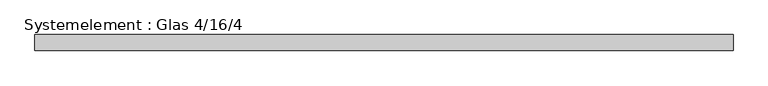
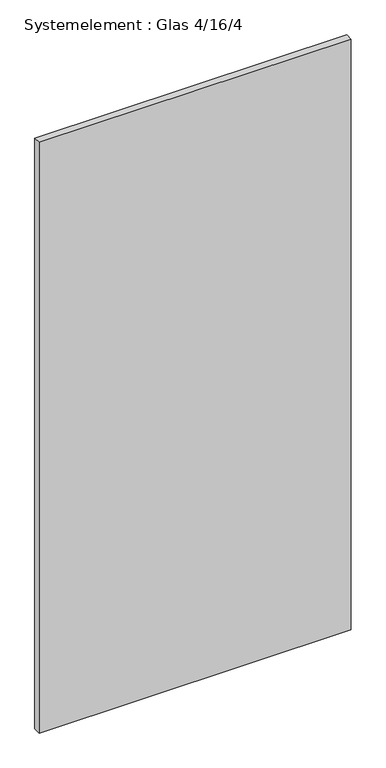
"""IFC4 building model written with IfcOpenShell, lengths in millimetres: plate geometry, Systemelement : Glas 4/16/4."""

import ifcopenshell
import ifcopenshell.guid

model = None  # the IFC model being written
_history = None  # IfcOwnerHistory: only IFC2X3 demands one
_inside = {}  # id of a spatial element -> (the spatial element, [elements in it])
_under = {}  # id of a project, library or spatial element -> (it, [spatial elements below it])
_declared = {}  # id of a project -> (the project, [libraries it declares])
_typed = {}  # id of a type object -> (the type object, [elements of that type])
_made_of = {}  # id of a material, layer set ... -> (it, [elements and type objects made of it])


def new_model(schema):
    """Start an empty IFC model of exactly this schema.

    Asked for "IFC4X3", IfcOpenShell would pick the latest addendum, in which some entities
    have other attributes; the version numbers below select the first issue.
    IFC2X3 requires an IfcOwnerHistory on every rooted entity: one is made here for all.
    """
    global model, _history
    if schema == "IFC4X3":
        model = ifcopenshell.file(schema_version=(4, 3, 0, 0))
    else:
        model = ifcopenshell.file(schema=schema)
    _inside.clear()
    _under.clear()
    _declared.clear()
    _typed.clear()
    _made_of.clear()
    _history = None
    if model.schema == "IFC2X3":
        org = make("IfcOrganization", Name="unknown")
        user = make(
            "IfcPersonAndOrganization",
            ThePerson=make("IfcPerson", FamilyName="unknown"),
            TheOrganization=org,
        )
        app = make(
            "IfcApplication",
            ApplicationDeveloper=org,
            Version="unknown",
            ApplicationFullName="unknown",
            ApplicationIdentifier="unknown",
        )
        _history = make(
            "IfcOwnerHistory",
            OwningUser=user,
            OwningApplication=app,
            ChangeAction="ADDED",
            CreationDate=0,
        )
    return model


def make(cls, **values):
    """One entity of the class cls with the attributes given. An attribute that is None is left unset."""
    return model.create_entity(
        cls, **{name: value for name, value in values.items() if value is not None}
    )


def rooted(cls, **values):
    """An entity with a GlobalId (a new one), such as an element, a storey or a relation."""
    return make(cls, GlobalId=ifcopenshell.guid.new(), OwnerHistory=_history, **values)


def si_unit(unit_type, name, prefix=None):
    """IfcSIUnit, for example si_unit("LENGTHUNIT", "METRE", prefix="MILLI")."""
    return make("IfcSIUnit", UnitType=unit_type, Prefix=prefix, Name=name)


def assignment(units):
    """IfcUnitAssignment: the units of a project."""
    return None if units is None else make("IfcUnitAssignment", Units=units)


def point(xyz):
    """IfcCartesianPoint."""
    return None if xyz is None else make("IfcCartesianPoint", Coordinates=xyz)


def direction(xyz):
    """IfcDirection."""
    return None if xyz is None else make("IfcDirection", DirectionRatios=xyz)


def frame(location, z_axis=None, x_axis=None):
    """IfcAxis2Placement3D, a coordinate frame: its origin and axes. An axis left out is left unset."""
    return make(
        "IfcAxis2Placement3D",
        Location=point(location),
        Axis=direction(z_axis),
        RefDirection=direction(x_axis),
    )


def origin():
    """The frame at (0, 0, 0) with its axes left unset."""
    return frame((0.0, 0.0, 0.0))


def origin_with_axes():
    """The frame at (0, 0, 0) with the z axis (0, 0, 1) and the x axis (1, 0, 0) written out."""
    return frame((0.0, 0.0, 0.0), z_axis=(0.0, 0.0, 1.0), x_axis=(1.0, 0.0, 0.0))


def place(relative_to, where):
    """IfcLocalPlacement: puts the frame where relative to a parent placement (None: the world)."""
    return make(
        "IfcLocalPlacement", PlacementRelTo=relative_to, RelativePlacement=where
    )


def context(
    kind, dimensions, precision=None, world=None, true_north=None, identifier=None
):
    """IfcGeometricRepresentationContext, for example the 3D "Model" context."""
    return make(
        "IfcGeometricRepresentationContext",
        ContextIdentifier=identifier,
        ContextType=kind,
        CoordinateSpaceDimension=dimensions,
        Precision=precision,
        WorldCoordinateSystem=world,
        TrueNorth=true_north,
    )


def project(units=None, contexts=None):
    """IfcProject with its units and contexts."""
    return rooted(
        "IfcProject",
        Name="project",
        RepresentationContexts=contexts,
        UnitsInContext=assignment(units),
    )


def spatial(cls, under=None, at=None, **own):
    """A site, building, storey or space (cls), placed at a placement, below another one or the project."""
    s = rooted(cls, ObjectPlacement=at, **own)
    if under is not None:
        _under.setdefault(under.id(), (under, []))[1].append(s)
    return s


def polyline(points):
    """IfcPolyline through the points."""
    return make("IfcPolyline", Points=[point(p) for p in points])


def outline(outer, holes=None, kind="AREA"):
    """IfcArbitraryClosedProfileDef: a profile drawn as a closed curve; with holes, ...WithVoids."""
    if holes is None:
        return make("IfcArbitraryClosedProfileDef", ProfileType=kind, OuterCurve=outer)
    return make(
        "IfcArbitraryProfileDefWithVoids",
        ProfileType=kind,
        OuterCurve=outer,
        InnerCurves=holes,
    )


def extrude(swept, where, along, depth):
    """IfcExtrudedAreaSolid: the profile swept, set in the frame where, extruded along a direction by depth."""
    return make(
        "IfcExtrudedAreaSolid",
        SweptArea=swept,
        Position=where,
        ExtrudedDirection=direction(along),
        Depth=depth,
    )


def shape(context_of_items, identifier, shape_type, items):
    """IfcShapeRepresentation: the items that make up one representation, for example the "Body"."""
    return make(
        "IfcShapeRepresentation",
        ContextOfItems=context_of_items,
        RepresentationIdentifier=identifier,
        RepresentationType=shape_type,
        Items=items,
    )


def source(mapping_origin, context_of_items, identifier, shape_type, items):
    """IfcRepresentationMap: a shape defined once, which mapped items show again and again."""
    return make(
        "IfcRepresentationMap",
        MappingOrigin=mapping_origin,
        MappedRepresentation=shape(context_of_items, identifier, shape_type, items),
    )


def transform(
    local_origin,
    x_axis=None,
    y_axis=None,
    z_axis=None,
    scale=None,
    scale2=None,
    scale3=None,
    uniform=True,
):
    """IfcCartesianTransformationOperator3D, or its non-uniform kind. x_axis, y_axis, z_axis: its Axis1, 2, 3."""
    if uniform:
        return make(
            "IfcCartesianTransformationOperator3D",
            Axis1=direction(x_axis),
            Axis2=direction(y_axis),
            LocalOrigin=point(local_origin),
            Scale=scale,
            Axis3=direction(z_axis),
        )
    return make(
        "IfcCartesianTransformationOperator3DnonUniform",
        Axis1=direction(x_axis),
        Axis2=direction(y_axis),
        LocalOrigin=point(local_origin),
        Scale=scale,
        Axis3=direction(z_axis),
        Scale2=scale2,
        Scale3=scale3,
    )


def mapped(mapping_source, mapping_target):
    """IfcMappedItem: shows the shape of a source again, moved by a transform."""
    return make(
        "IfcMappedItem", MappingSource=mapping_source, MappingTarget=mapping_target
    )


def made_of(thing, what):
    """Note that an element or type object is made of a material, layer set ...; save() writes the relation."""
    if what is not None:
        _made_of.setdefault(what.id(), (what, []))[1].append(thing)
    return thing


def element(
    cls,
    number,
    at=None,
    inside=None,
    cuts=None,
    type_object=None,
    material=None,
    context=None,
    identifier="Body",
    shape_type=None,
    held_by="IfcProductDefinitionShape",
    body=None,
    shapes=None,
    **own,
):
    """One element of the class cls, such as IfcWall. Its Tag is "e" and its number.

    at: its placement. inside: the storey or other place that contains it. cuts: it is an
    opening in that element (IfcRelVoidsElement). A single representation is given by context,
    identifier, shape_type and body (its items); several are given by shapes. held_by: the class
    of the entity that holds the representations. save() writes the other relations.
    """
    e = rooted(cls, Tag="e%d" % number, ObjectPlacement=at, **own)
    if body is not None:
        shapes = [shape(context, identifier, shape_type, body)]
    if shapes is not None:
        e.Representation = make(held_by, Representations=shapes)
    if inside is not None:
        _inside.setdefault(inside.id(), (inside, []))[1].append(e)
    if cuts is not None:
        rooted(
            "IfcRelVoidsElement", RelatingBuildingElement=cuts, RelatedOpeningElement=e
        )
    if type_object is not None:
        _typed.setdefault(type_object.id(), (type_object, []))[1].append(e)
    return made_of(e, material)


def aggregate(whole, parts):
    """IfcRelAggregates: a whole, such as a stair, and the parts it consists of."""
    return rooted("IfcRelAggregates", RelatingObject=whole, RelatedObjects=parts)


def save(model, path):
    """Write the relations noted so far, then the file.

    IfcRelAggregates (storeys below a building ...), IfcRelContainedInSpatialStructure (elements
    in a storey), IfcRelDefinesByType, IfcRelAssociatesMaterial and IfcRelDeclares: one each for
    every whole, place, type object, material and project.
    """
    for whole, parts in _under.values():
        aggregate(whole, parts)
    for where, things in _inside.values():
        rooted(
            "IfcRelContainedInSpatialStructure",
            RelatedElements=things,
            RelatingStructure=where,
        )
    for kind, things in _typed.values():
        rooted("IfcRelDefinesByType", RelatedObjects=things, RelatingType=kind)
    for what, things in _made_of.values():
        rooted("IfcRelAssociatesMaterial", RelatedObjects=things, RelatingMaterial=what)
    for by, libraries in _declared.values():
        rooted("IfcRelDeclares", RelatingContext=by, RelatedDefinitions=libraries)
    model.write(path)


def systemelement_glas_4_16_4_c4ba321f(model_context):
    return source(origin(), model_context, "Body", "SweptSolid", [
        extrude(outline(polyline([(525.0, -12.0), (-525.0, -12.0), (-525.0, 12.0), (525.0, 12.0), (525.0, -12.0)])), origin_with_axes(), (0.0, 0.0, 1.0), 2100.0),
    ])


if __name__ == "__main__":
    model = new_model("IFC4")
    model_context = context("Model", 3, world=origin())
    ifc_project = project(units=[si_unit("LENGTHUNIT", "METRE", prefix="MILLI")], contexts=[model_context])
    site = spatial("IfcSite", under=ifc_project)
    building = spatial("IfcBuilding", under=site)
    placement = place(None, origin())
    systemelement_glas_4_16_4_shape = systemelement_glas_4_16_4_c4ba321f(model_context)
    element("IfcPlate", 1, ObjectType="Systemelement : Glas 4/16/4", at=placement, inside=building, context=model_context, shape_type="MappedRepresentation", body=[
        mapped(systemelement_glas_4_16_4_shape, transform((0.0, 0.0, 0.0), x_axis=(1.0, 0.0, 0.0), y_axis=(0.0, 1.0, 0.0), z_axis=(0.0, 0.0, 1.0))),
    ])
    save(model, "model.ifc")
